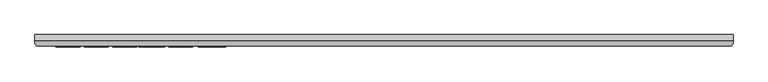
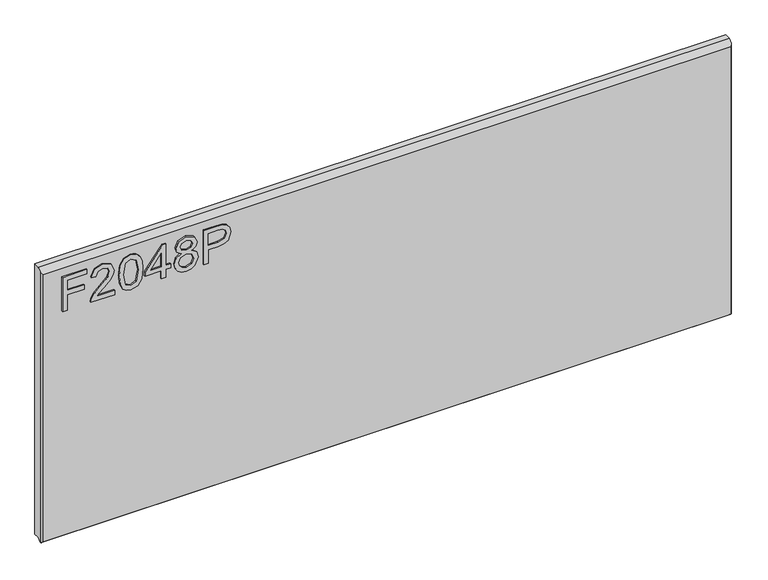
"""IFC4 building model written with IfcOpenShell, lengths in millimetres: furniture geometry."""

from ifc_helpers import new_model, si_unit, frame, origin, place, context, project, spatial, polyline, outline, extrude, faceted_brep, source, transform, mapped, element, save


def furniture_cec8acf9(model_context):
    return source(origin(), model_context, "Body", "SolidModel", [
        extrude(outline(polyline([(2030.1942188, -554.6436441), (2030.1942188, -546.6699245), (2059.0989524, -546.6699245), (2059.0989524, -516.7684759), (2067.072672, -516.7684759), (2067.072672, -546.6699245), (2086.0102561, -546.6699245), (2086.0102561, -511.7849011), (2093.9839757, -511.7849011), (2093.9839757, -554.6436441), (2030.1942188, -554.6436441)])), frame((0.0, -21.9273437, 0.0), z_axis=(0.0, 1.0, 0.0), x_axis=(0.0, 0.0, 1.0)), (0.0, 0.0, 1.0), 2.38125),
        extrude(outline(polyline([(2038.1679384, -462.9458685), (2038.1679384, -494.2645211), (2042.2248797, -490.6670031), (2049.8949127, -481.4941108), (2060.819843, -470.070823), (2068.6378259, -465.3597875), (2076.1988433, -463.9425834), (2088.8758116, -469.1986974), (2093.9839757, -483.471967), (2089.3897427, -497.6985156), (2076.0431066, -503.8111815), (2075.0463916, -495.8374619), (2083.0979796, -492.4813358), (2086.0102561, -483.6432774), (2083.0278981, -475.1634135), (2075.7160595, -471.916303), (2066.6833302, -475.3580844), (2053.3989887, -489.1252096), (2044.1560149, -499.1079328), (2035.6917247, -503.9513445), (2030.1942188, -504.8078965), (2030.1942188, -462.9458685), (2038.1679384, -462.9458685)])), frame((0.0, -21.9273437, 0.0), z_axis=(0.0, 1.0, 0.0), x_axis=(0.0, 0.0, 1.0)), (0.0, 0.0, 1.0), 2.38125),
        extrude(outline(polyline([(2061.5751661, -454.9721488), (2046.0598962, -453.3836344), (2035.2712355, -448.618091), (2030.7159367, -442.3263279), (2029.1975038, -434.0411348), (2032.693793, -422.3686683), (2043.299463, -415.4305978), (2061.5751661, -413.1101208), (2076.5648245, -414.5584723), (2086.0024692, -418.2961533), (2091.9282511, -424.7280795), (2093.9839757, -434.0411348), (2090.511047, -445.6668803), (2079.9287375, -452.6283113), (2061.5751661, -454.9721488)]), holes=[polyline([(2061.5907397, -446.9984292), (2081.7430702, -443.1361588), (2086.0102561, -434.1345769), (2081.1668444, -424.6969322), (2061.5907397, -421.0838405), (2041.8043906, -424.8215215), (2037.1712234, -434.0411348), (2041.7888169, -443.2607482), (2061.5907397, -446.9984292)])]), frame((0.0, -21.9273437, 0.0), z_axis=(0.0, 1.0, 0.0), x_axis=(0.0, 0.0, 1.0)), (0.0, 0.0, 1.0), 2.38125),
        extrude(outline(polyline([(2030.1942188, -380.2185274), (2030.1942188, -372.2448078), (2045.144943, -372.2448078), (2045.144943, -364.2710882), (2053.1186627, -364.2710882), (2053.1186627, -372.2448078), (2092.9872607, -372.2448078), (2092.9872607, -378.2250975), (2053.1186627, -409.123261), (2045.144943, -409.123261), (2045.144943, -380.2185274), (2030.1942188, -380.2185274)]), holes=[polyline([(2053.1186627, -380.2185274), (2053.1186627, -399.3118482), (2077.7562104, -380.2185274), (2053.1186627, -380.2185274)])]), frame((0.0, -21.9273438, 0.0), z_axis=(0.0, 1.0, 0.0), x_axis=(0.0, 0.0, 1.0)), (0.0, 0.0, 1.0), 2.38125),
        extrude(outline(polyline([(2065.3284208, -345.6761249), (2059.5350152, -354.2727913), (2048.9760661, -357.2940835), (2041.2184312, -355.8535189), (2034.8585333, -351.5318252), (2030.6127612, -344.8585071), (2029.1975038, -336.3630695), (2030.606921, -327.8676319), (2034.8351727, -321.1943138), (2048.7580347, -315.4320555), (2059.0755919, -318.3365452), (2065.3284208, -326.8164091), (2070.2574877, -319.7537493), (2077.771784, -317.4254854), (2089.2651533, -322.6582389), (2093.9839757, -336.4720852), (2089.374169, -350.1613421), (2077.9898154, -355.3006536), (2070.2808482, -352.9412424), (2065.3284208, -345.6761249)]), holes=[polyline([(2077.7562104, -347.326934), (2083.5807634, -344.4535917), (2086.0102561, -336.3630695), (2083.5262555, -328.2959079), (2077.3980159, -325.3992051), (2071.4800209, -328.2024659), (2069.0661019, -336.2696275), (2071.4955946, -344.5003127), (2077.7562104, -347.326934)]), polyline([(2049.2563922, -349.3203639), (2057.7128956, -345.9486641), (2061.0923823, -336.5655272), (2057.6661746, -326.9098511), (2049.0072135, -323.4057751), (2040.5117759, -326.8008355), (2037.1712234, -336.3007748), (2038.7597379, -343.2777795), (2043.252742, -347.988815), (2049.2563922, -349.3203639)])]), frame((0.0, -21.9273437, 0.0), z_axis=(0.0, 1.0, 0.0), x_axis=(0.0, 0.0, 1.0)), (0.0, 0.0, 1.0), 2.38125),
        extrude(outline(polyline([(2030.1942188, -305.464906), (2030.1942188, -297.4911864), (2056.1088075, -297.4911864), (2056.1088075, -281.2789947), (2057.5182247, -269.9510957), (2061.7464765, -262.7541129), (2075.5291754, -257.6225883), (2084.2270707, -259.5225762), (2090.3942445, -264.5450851), (2093.3766025, -272.2929865), (2093.9839757, -281.8240732), (2093.9839757, -305.464906), (2030.1942188, -305.464906)]), holes=[polyline([(2064.0825271, -297.4911864), (2086.0102561, -297.4911864), (2086.0102561, -280.9986687), (2085.4651776, -273.024949), (2081.8520859, -267.6442457), (2075.2488493, -265.5963079), (2067.0103773, -269.0692366), (2064.0825271, -280.8117846), (2064.0825271, -297.4911864)])]), frame((0.0, -21.9273437, 0.0), z_axis=(0.0, 1.0, 0.0), x_axis=(0.0, 0.0, 1.0)), (0.0, 0.0, 1.0), 2.38125),
        faceted_brep([(628.3377049, 0.0, 2119.0942187), (-590.8622951, 0.0, 2119.0942187), (-590.8622951, -10.0314449, 2119.0942187), (628.3377049, -10.0314449, 2119.0942187), (-590.8622951, 0.0, 1614.566875), (628.3377049, 0.0, 1614.566875), (628.3377049, -10.0314449, 1614.566875), (-590.8622951, -10.0314449, 1614.566875), (-590.8622951, -15.7726273, 1608.8256927), (-590.8622951, -15.7726273, 2113.3530364), (-587.6959807, -19.5460937, 1611.391875), (625.1713906, -19.5460937, 1611.391875), (625.1713906, -19.5460937, 2109.5795699), (-587.6959807, -19.5460937, 2109.5795699), (628.3377049, -15.7726273, 2113.3530364), (628.3377049, -15.7726273, 1608.8256927), (-590.3514364, -16.3814449, 1608.216875), (627.8268462, -16.3814449, 1608.216875)], [[[0, 1, 2, 3]], [[4, 5, 6, 7]], [[1, 4, 7, 8, 9, 2]], [[10, 11, 12, 13]], [[5, 0, 3, 14, 15, 6]], [[1, 0, 5, 4]], [[11, 10, 16, 17]], [[7, 6, 15, 17, 16, 8]], [[3, 2, 9, 13, 12, 14]], [[9, 8, 16, 10, 13]], [[12, 11, 17, 15, 14]]]),
    ])


if __name__ == "__main__":
    model = new_model("IFC4")
    model_context = context("Model", 3, world=origin())
    ifc_project = project(units=[si_unit("LENGTHUNIT", "METRE", prefix="MILLI")], contexts=[model_context])
    site = spatial("IfcSite", under=ifc_project)
    building = spatial("IfcBuilding", under=site)
    placement = place(None, origin())
    furniture_shape = furniture_cec8acf9(model_context)
    element("IfcFurniture", 1, at=placement, inside=building, context=model_context, shape_type="MappedRepresentation", body=[
        mapped(furniture_shape, transform((0.0, 0.0, 0.0), x_axis=(1.0, 0.0, 0.0), y_axis=(0.0, 1.0, 0.0), z_axis=(0.0, 0.0, 1.0))),
    ])
    save(model, "model.ifc")
